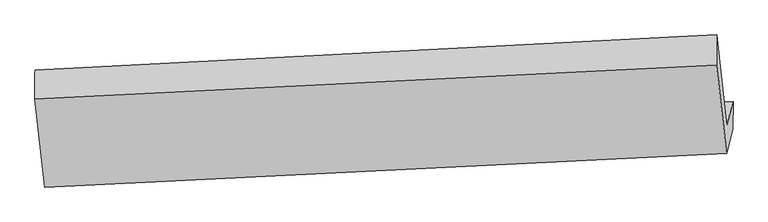
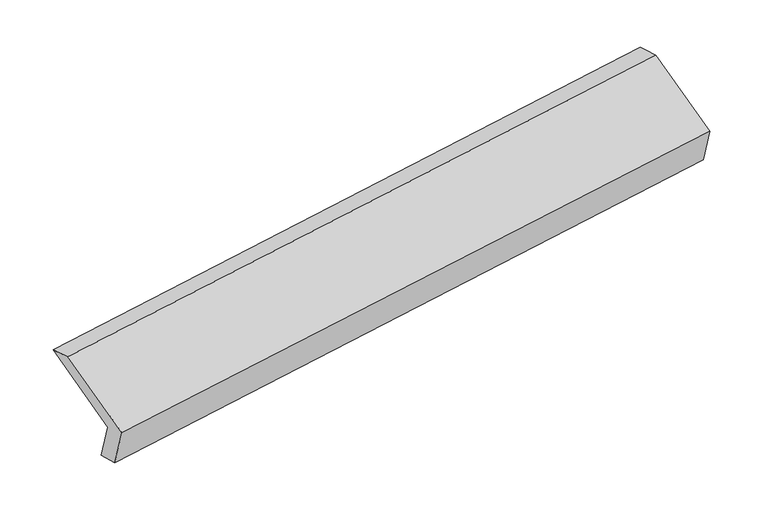
"""IFC4 building model written with IfcOpenShell, lengths in millimetres: proxy geometry."""

from ifc_helpers import new_model, si_unit, frame, origin, place, context, project, spatial, source, transform, mapped, element, save
from ifc_brep_helpers import plane_surface, spline_surface, advanced_brep


def generic_models_b471d709(model_context):
    return source(origin(), model_context, "Body", "AdvancedBrep", [
        advanced_brep(
        [(-5163.7765938, -1622.1180055, 1222.2577016), (-5207.1836399, -1788.1286639, 1570.6323265), (-496.2684116, -1553.3415139, 2258.3422197), (-452.8613654, -1387.3308555, 1909.9675948), (-5163.1906912, -1806.1685717, 1275.0545232), (-454.5109758, -1579.9311621, 1980.7061114), (-5208.8332503, -1980.7289705, 1641.3708431), (-497.918022, -1745.9418205, 2329.0807363), (-5277.4415973, -1371.7040554, 1923.0404438), (-566.526369, -1136.9169054, 2610.750337), (-5276.8091537, -1170.0745283, 1856.4778761), (-566.9110921, -926.2581578, 2548.3637182)],
        [
            (0, 1),
            (1, 2),
            (2, 3),
            (3, 0),
            (4, 0),
            (3, 5),
            (5, 4),
            (6, 4),
            (5, 7),
            (7, 6),
            (8, 6),
            (7, 9),
            (9, 8),
            (10, 8),
            (9, 11),
            (11, 10),
            (1, 10),
            (11, 2),
        ],
        [
            plane_surface(frame((-5185.4801168, -1705.1233347, 1396.4450141), z_axis=(-0.10586342878649983, 0.9027270851307982, 0.4169853045573891), x_axis=(-0.11177564745152727, -0.4274870203153597, 0.8970847519040145))),
            spline_surface(1, 1, [[(-5163.1906912, -1806.1685717, 1275.0545232), (-454.5109758, -1579.9311621, 1980.7061114)], [(-5163.7765938, -1622.1180055, 1222.2577016), (-452.8613654, -1387.3308555, 1909.9675948)]], [2, 2], [2, 2], [0.0, 1.0], [0.0, 1.0]),
            plane_surface(frame((-5186.0119708, -1893.4487711, 1458.2126832), z_axis=(0.10586342878649654, -0.9027270851307984, -0.4169853045573896), x_axis=(0.11177564745152727, 0.4274870203153597, -0.8970847519040145))),
            plane_surface(frame((-5243.1374238, -1676.2165129, 1782.2056435), z_axis=(-0.10970156307231207, -0.427392571354266, 0.8973857347933943), x_axis=(0.10171667474301727, -0.9029220483540497, -0.4175948906240957))),
            spline_surface(1, 1, [[(-5276.8091537, -1170.0745283, 1856.4778761), (-566.9110921, -926.2581578, 2548.3637182)], [(-5277.4415973, -1371.7040554, 1923.0404438), (-566.526369, -1136.9169054, 2610.750337)]], [2, 2], [2, 2], [0.0, 1.0], [0.0, 1.0]),
            plane_surface(frame((-5241.9963968, -1479.1015961, 1713.5551013), z_axis=(0.10970156307231092, 0.42739257135427156, -0.8973857347933919), x_axis=(-0.10171667474301692, 0.9029220483540471, 0.4175948906241013))),
            plane_surface(frame((-505.832706, -1388.2867359, 2272.8684529), z_axis=(0.9885139972281705, 0.04457153865438298, 0.14440725475531216), x_axis=(0.10171667474301727, -0.9029220483540497, -0.4175948906240957))),
            plane_surface(frame((-5216.205821, -1623.1537992, 1581.4722857), z_axis=(-0.9885139972281691, -0.044571538654396364, -0.14440725475531666), x_axis=(0.11177564745152571, 0.42748702031535973, -0.8970847519040146))),
        ],
        [
            (0, [[1, 2, 3, 4]]),
            (1, [[5, -4, 6, 7]]),
            (2, [[8, -7, 9, 10]]),
            (3, [[11, -10, 12, 13]]),
            (4, [[14, -13, 15, 16]]),
            (5, [[17, -16, 18, -2]]),
            (6, [[-12, -9, -6, -3, -18, -15]]),
            (7, [[-1, -5, -8, -11, -14, -17]]),
        ],
    ),
    ])


if __name__ == "__main__":
    model = new_model("IFC4")
    model_context = context("Model", 3, world=origin())
    ifc_project = project(units=[si_unit("LENGTHUNIT", "METRE", prefix="MILLI")], contexts=[model_context])
    site = spatial("IfcSite", under=ifc_project)
    building = spatial("IfcBuilding", under=site)
    placement = place(None, origin())
    generic_models_shape = generic_models_b471d709(model_context)
    element("IfcBuildingElementProxy", 1, Name="Generic Models", at=placement, inside=building, context=model_context, shape_type="MappedRepresentation", body=[
        mapped(generic_models_shape, transform((0.0, 0.0, 0.0), x_axis=(1.0, 0.0, 0.0), y_axis=(0.0, 1.0, 0.0), z_axis=(0.0, 0.0, 1.0))),
    ])
    save(model, "model.ifc")
